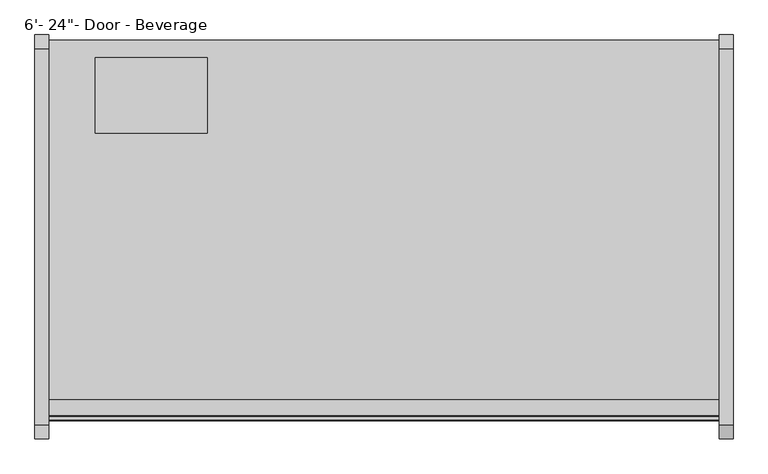
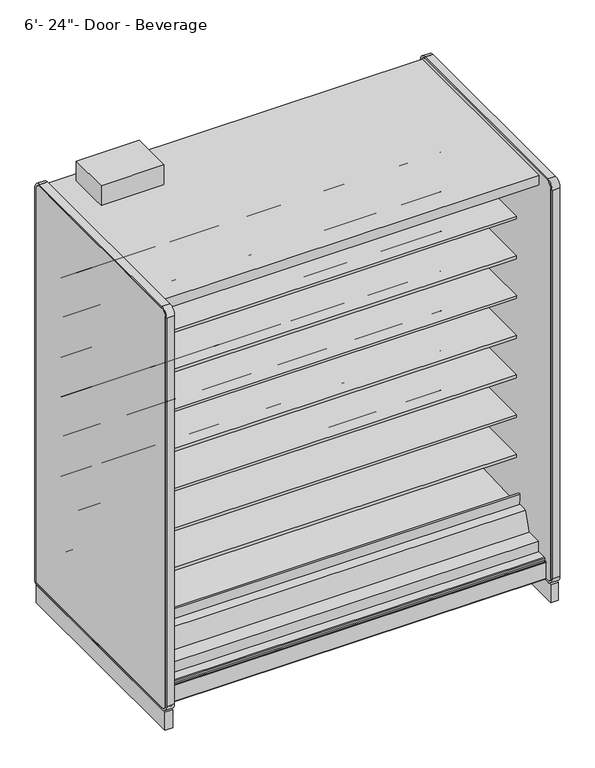
"""IFC4 building model written with IfcOpenShell, lengths in millimetres: proxy geometry."""

from ifc_helpers import new_model, si_unit, point, frame, frame_2d, origin, origin_with_axes, place, context, project, spatial, polyline, circle_curve, trimmed, segment, composite_curve, outline, extrude, source, transform, mapped, element, save
from ifc_brep_helpers import plane_surface, cylinder_surface, revolved_surface, advanced_brep


def proxy_43248446(model_context):
    return source(origin(), model_context, "Body", "SolidModel", [
        extrude(outline(composite_curve([segment(polyline([(-454.7591365, 587.0133455), (-454.7591365, 512.2441036), (-474.271416, 511.9123192)]), True, "CONTINUOUS"), segment(trimmed(circle_curve(frame_2d((-474.703252, 537.308648)), 25.4), [point((-474.271416, 511.9123192))], [point((-490.6806083, 517.5631653))], False, "CARTESIAN"), True, "CONTINUOUS"), segment(polyline([(-490.6806083, 517.5631653), (-508.5326694, 532.0084308)]), True, "CONTINUOUS"), segment(trimmed(circle_curve(frame_2d((-548.4760601, 482.6447241)), 63.5), [point((-508.5326694, 532.0084308))], [point((-540.5781788, 545.651656))], True, "CARTESIAN"), True, "CONTINUOUS"), segment(polyline([(-540.5781788, 545.651656), (-882.0268465, 569.3487934), (-883.515623, 572.7893455), (-1140.5591365, 572.7893455), (-1140.5591365, 587.0133455), (-454.7591365, 587.0133455)]), True, "CONTINUOUS")], self_intersect=False)), frame((0.0, 0.0, 0.0), z_axis=(1.0, 0.0, 0.0), x_axis=(0.0, 1.0, 0.0)), (0.0, 0.0, 1.0), 1828.8),
        extrude(outline(composite_curve([segment(polyline([(-454.7591365, 790.2133624), (-454.7591365, 715.4441204), (-474.271416, 715.112336)]), True, "CONTINUOUS"), segment(trimmed(circle_curve(frame_2d((-474.703252, 740.5086648)), 25.4), [point((-474.271416, 715.112336))], [point((-490.6806083, 720.7631821))], False, "CARTESIAN"), True, "CONTINUOUS"), segment(polyline([(-490.6806083, 720.7631821), (-508.5326694, 735.2084477)]), True, "CONTINUOUS"), segment(trimmed(circle_curve(frame_2d((-548.4760601, 685.8447409)), 63.5), [point((-508.5326694, 735.2084477))], [point((-540.5781788, 748.8516729))], True, "CARTESIAN"), True, "CONTINUOUS"), segment(polyline([(-540.5781788, 748.8516729), (-882.0268465, 772.5488103), (-883.515623, 775.9893624), (-1140.5591365, 775.9893624), (-1140.5591365, 790.2133624), (-454.7591365, 790.2133624)]), True, "CONTINUOUS")], self_intersect=False)), frame((0.0, 0.0, 0.0), z_axis=(1.0, 0.0, 0.0), x_axis=(0.0, 1.0, 0.0)), (0.0, 0.0, 1.0), 1828.8),
        extrude(outline(composite_curve([segment(polyline([(-454.7591365, 993.4133793), (-454.7591365, 918.6441373), (-474.271416, 918.3123529)]), True, "CONTINUOUS"), segment(trimmed(circle_curve(frame_2d((-474.703252, 943.7086817)), 25.4), [point((-474.271416, 918.3123529))], [point((-490.6806083, 923.963199))], False, "CARTESIAN"), True, "CONTINUOUS"), segment(polyline([(-490.6806083, 923.963199), (-508.5326694, 938.4084646)]), True, "CONTINUOUS"), segment(trimmed(circle_curve(frame_2d((-548.4760601, 889.0447578)), 63.5), [point((-508.5326694, 938.4084646))], [point((-540.5781788, 952.0516897))], True, "CARTESIAN"), True, "CONTINUOUS"), segment(polyline([(-540.5781788, 952.0516897), (-882.0268465, 975.7488272), (-883.515623, 979.1893793), (-1140.5591365, 979.1893793), (-1140.5591365, 993.4133793), (-454.7591365, 993.4133793)]), True, "CONTINUOUS")], self_intersect=False)), frame((0.0, 0.0, 0.0), z_axis=(1.0, 0.0, 0.0), x_axis=(0.0, 1.0, 0.0)), (0.0, 0.0, 1.0), 1828.8),
        extrude(outline(composite_curve([segment(polyline([(-454.7591365, 1196.6133961), (-454.7591365, 1121.8441542), (-474.271416, 1121.5123698)]), True, "CONTINUOUS"), segment(trimmed(circle_curve(frame_2d((-474.703252, 1146.9086986)), 25.4), [point((-474.271416, 1121.5123698))], [point((-490.6806083, 1127.1632159))], False, "CARTESIAN"), True, "CONTINUOUS"), segment(polyline([(-490.6806083, 1127.1632159), (-508.5326694, 1141.6084814)]), True, "CONTINUOUS"), segment(trimmed(circle_curve(frame_2d((-548.4760601, 1092.2447747)), 63.5), [point((-508.5326694, 1141.6084814))], [point((-540.5781788, 1155.2517066))], True, "CARTESIAN"), True, "CONTINUOUS"), segment(polyline([(-540.5781788, 1155.2517066), (-882.0268465, 1178.948844), (-883.515623, 1182.3893961), (-1140.5591365, 1182.3893961), (-1140.5591365, 1196.6133961), (-454.7591365, 1196.6133961)]), True, "CONTINUOUS")], self_intersect=False)), frame((0.0, 0.0, 0.0), z_axis=(1.0, 0.0, 0.0), x_axis=(0.0, 1.0, 0.0)), (0.0, 0.0, 1.0), 1828.8),
        extrude(outline(composite_curve([segment(polyline([(-454.7591365, 1399.813413), (-454.7591365, 1325.044171), (-474.271416, 1324.7123866)]), True, "CONTINUOUS"), segment(trimmed(circle_curve(frame_2d((-474.703252, 1350.1087155)), 25.4), [point((-474.271416, 1324.7123866))], [point((-490.6806083, 1330.3632328))], False, "CARTESIAN"), True, "CONTINUOUS"), segment(polyline([(-490.6806083, 1330.3632328), (-508.5326694, 1344.8084983)]), True, "CONTINUOUS"), segment(trimmed(circle_curve(frame_2d((-548.4760601, 1295.4447915)), 63.5), [point((-508.5326694, 1344.8084983))], [point((-540.5781788, 1358.4517235))], True, "CARTESIAN"), True, "CONTINUOUS"), segment(polyline([(-540.5781788, 1358.4517235), (-882.0268465, 1382.1488609), (-883.515623, 1385.589413), (-1140.5591365, 1385.589413), (-1140.5591365, 1399.813413), (-454.7591365, 1399.813413)]), True, "CONTINUOUS")], self_intersect=False)), frame((0.0, 0.0, 0.0), z_axis=(1.0, 0.0, 0.0), x_axis=(0.0, 1.0, 0.0)), (0.0, 0.0, 1.0), 1828.8),
        extrude(outline(composite_curve([segment(polyline([(-454.7591365, 1603.0134299), (-454.7591365, 1528.2441879), (-474.271416, 1527.9124035)]), True, "CONTINUOUS"), segment(trimmed(circle_curve(frame_2d((-474.703252, 1553.3087323)), 25.4), [point((-474.271416, 1527.9124035))], [point((-490.6806083, 1533.5632496))], False, "CARTESIAN"), True, "CONTINUOUS"), segment(polyline([(-490.6806083, 1533.5632496), (-508.5326694, 1548.0085152)]), True, "CONTINUOUS"), segment(trimmed(circle_curve(frame_2d((-548.4760601, 1498.6448084)), 63.5), [point((-508.5326694, 1548.0085152))], [point((-540.5781788, 1561.6517403))], True, "CARTESIAN"), True, "CONTINUOUS"), segment(polyline([(-540.5781788, 1561.6517403), (-882.0268465, 1585.3488778), (-883.515623, 1588.7894299), (-1140.5591365, 1588.7894299), (-1140.5591365, 1603.0134299), (-454.7591365, 1603.0134299)]), True, "CONTINUOUS")], self_intersect=False)), frame((0.0, 0.0, 0.0), z_axis=(1.0, 0.0, 0.0), x_axis=(0.0, 1.0, 0.0)), (0.0, 0.0, 1.0), 1828.8),
        extrude(outline(composite_curve([segment(polyline([(-454.7591365, 1806.2134975), (-454.7591365, 1731.4442556), (-474.271416, 1731.1124712)]), True, "CONTINUOUS"), segment(trimmed(circle_curve(frame_2d((-474.703252, 1756.5088)), 25.4), [point((-474.271416, 1731.1124712))], [point((-490.6806083, 1736.7633173))], False, "CARTESIAN"), True, "CONTINUOUS"), segment(polyline([(-490.6806083, 1736.7633173), (-508.5326694, 1751.2085828)]), True, "CONTINUOUS"), segment(trimmed(circle_curve(frame_2d((-548.4760601, 1701.8448761)), 63.5), [point((-508.5326694, 1751.2085828))], [point((-540.5781788, 1764.851808))], True, "CARTESIAN"), True, "CONTINUOUS"), segment(polyline([(-540.5781788, 1764.851808), (-882.0268465, 1788.5489454), (-883.515623, 1791.9894975), (-1140.5591365, 1791.9894975), (-1140.5591365, 1806.2134975), (-454.7591365, 1806.2134975)]), True, "CONTINUOUS")], self_intersect=False)), frame((0.0, 0.0, 0.0), z_axis=(1.0, 0.0, 0.0), x_axis=(0.0, 1.0, 0.0)), (0.0, 0.0, 1.0), 1828.8),
        extrude(outline(polyline([(0.0, -1311.974344), (0.0, -1337.374344), (-2.5796875, -1337.374344), (-2.5796875, -1311.974344), (0.0, -1311.974344)])), frame((0.0, 0.0, 252.8737805), z_axis=(0.0, 0.0, 1.0), x_axis=(1.0, 0.0, 0.0)), (0.0, 0.0, 1.0), 1827.8179128),
        extrude(outline(composite_curve([segment(trimmed(circle_curve(frame_2d((234.95, 1750.8737514)), 12.7), [point((247.65, 1750.8737514))], [point((222.25, 1750.8737514))], False, "CARTESIAN"), True, "CONTINUOUS"), segment(trimmed(circle_curve(frame_2d((234.95, 1750.8737514)), 12.7), [point((222.25, 1750.8737514))], [point((247.65, 1750.8737514))], False, "CARTESIAN"), True, "CONTINUOUS")], self_intersect=False)), frame((0.0, -399.5252577, 0.0), z_axis=(0.0, 1.0, 0.0), x_axis=(0.0, 0.0, 1.0)), (0.0, 0.0, 1.0), 50.5181304),
        extrude(outline(composite_curve([segment(trimmed(circle_curve(frame_2d((234.95, 1704.8472509)), 9.525), [point((244.475, 1704.8472509))], [point((225.425, 1704.8472509))], False, "CARTESIAN"), True, "CONTINUOUS"), segment(trimmed(circle_curve(frame_2d((234.95, 1704.8472509)), 9.525), [point((225.425, 1704.8472509))], [point((244.475, 1704.8472509))], False, "CARTESIAN"), True, "CONTINUOUS")], self_intersect=False)), frame((0.0, -399.5252577, 0.0), z_axis=(0.0, 1.0, 0.0), x_axis=(0.0, 0.0, 1.0)), (0.0, 0.0, 1.0), 50.5181304),
        advanced_brep(
        [(1828.8, -349.0071273, 104.775), (1828.8, -349.0071273, 2130.425), (1828.8, -1329.436844, 2130.425), (1828.8, -1329.436844, 2080.6916932), (1828.8, -403.9576348, 2080.6916932), (1828.8, -403.9576348, 191.9712577), (1828.8, -1233.6520806, 158.2443144), (1828.8, -1324.5178752, 168.8736205), (1828.8, -1324.5178752, 201.2766923), (1828.8, -1373.7502971, 201.2766923), (1828.8, -1376.4137132, 197.8095897), (1828.8, -1376.4137132, 188.9614574), (1828.8, -1385.2191773, 188.9614574), (1828.8, -1386.7939773, 187.3866574), (1828.8, -1386.7939773, 185.7356574), (1828.8, -1387.6575773, 185.7356574), (1828.8, -1387.6575773, 101.7483517), (1828.8, -1384.5102631, 101.0506089), (1828.8, -1382.7735511, 104.775), (0.0, -349.0071273, 104.775), (0.0, -1382.7735511, 104.775), (0.0, -1384.5102631, 101.0506089), (0.0, -1387.6575773, 101.7483517), (0.0, -1387.6575773, 185.7356574), (0.0, -1386.7939773, 185.7356574), (0.0, -1386.7939773, 187.3866574), (0.0, -1385.2191773, 188.9614574), (0.0, -1376.4137132, 188.9614574), (0.0, -1376.4137132, 197.8095897), (0.0, -1373.7502971, 201.2766923), (0.0, -1324.5178752, 201.2766923), (0.0, -1324.5178752, 168.8736205), (0.0, -1233.6520806, 158.2443144), (0.0, -403.9576348, 191.9712577), (0.0, -403.9576348, 2080.6916932), (0.0, -1329.436844, 2080.6916932), (0.0, -1329.436844, 2130.425), (0.0, -349.0071273, 2130.425), (1727.2, -349.0071273, 184.15), (1727.2, -349.0071273, 285.75), (1727.2, -399.5252577, 184.15), (1727.2, -399.5252577, 285.75)],
        [
            (0, 1),
            (1, 2),
            (2, 3),
            (3, 4),
            (4, 5),
            (5, 6),
            (6, 7),
            (7, 8),
            (8, 9),
            (9, 10, circle_curve(frame((1828.8, -1372.3299277, 197.4290047), z_axis=(1.0, 0.0, 0.0), x_axis=(0.0, 1.0, 0.0)), 4.1014814)),
            (10, 11),
            (11, 12),
            (12, 13, circle_curve(frame((1828.8, -1385.2191773, 187.3866574), z_axis=(1.0, 0.0, 0.0), x_axis=(0.0, 1.0, 0.0)), 1.5748)),
            (13, 14),
            (14, 15),
            (15, 16),
            (16, 17, circle_curve(frame((1828.8, -1386.0065773, 101.7483517), z_axis=(1.0, 0.0, 0.0), x_axis=(0.0, 1.0, 0.0)), 1.651)),
            (17, 18),
            (18, 0),
            (19, 20),
            (20, 21),
            (21, 22, circle_curve(frame((0.0, -1386.0065773, 101.7483517), z_axis=(-1.0, 0.0, 0.0), x_axis=(0.0, 1.0, 0.0)), 1.651)),
            (22, 23),
            (23, 24),
            (24, 25),
            (25, 26, circle_curve(frame((0.0, -1385.2191773, 187.3866574), z_axis=(-1.0, 0.0, 0.0), x_axis=(0.0, 1.0, 0.0)), 1.5748)),
            (26, 27),
            (27, 28),
            (28, 29, circle_curve(frame((0.0, -1372.3299277, 197.4290047), z_axis=(-1.0, 0.0, 0.0), x_axis=(0.0, 1.0, 0.0)), 4.1014814)),
            (29, 30),
            (30, 31),
            (31, 32),
            (32, 33),
            (33, 34),
            (34, 35),
            (35, 36),
            (36, 37),
            (37, 19),
            (0, 19),
            (37, 1),
            (38, 39, circle_curve(frame((1727.2, -349.0071273, 234.95), z_axis=(0.0, -1.0, 0.0), x_axis=(0.0, 0.0, 1.0)), 50.8)),
            (39, 38, circle_curve(frame((1727.2, -349.0071273, 234.95), z_axis=(0.0, -1.0, 0.0), x_axis=(0.0, 0.0, 1.0)), 50.8)),
            (18, 20),
            (36, 2),
            (35, 3),
            (34, 4),
            (33, 5),
            (32, 6),
            (31, 7),
            (30, 8),
            (29, 9),
            (28, 10),
            (27, 11),
            (26, 12),
            (25, 13),
            (24, 14),
            (23, 15),
            (22, 16),
            (21, 17),
            (40, 41, circle_curve(frame((1727.2, -399.5252577, 234.95), z_axis=(0.0, 1.0, 0.0), x_axis=(0.0, 0.0, 1.0)), 50.8)),
            (41, 40, circle_curve(frame((1727.2, -399.5252577, 234.95), z_axis=(0.0, 1.0, 0.0), x_axis=(0.0, 0.0, 1.0)), 50.8)),
            (41, 39),
            (38, 40),
        ],
        [
            plane_surface(frame((1828.8, -349.0071273, 2132.8596217), z_axis=(1.0, 0.0, 0.0), x_axis=(0.0, 0.0, 1.0))),
            plane_surface(frame((0.0, -349.0071273, 2132.8596217), z_axis=(-1.0, 0.0, 0.0), x_axis=(0.0, 0.0, -1.0))),
            plane_surface(frame((1828.8, -349.0071273, 104.775), z_axis=(0.0, 1.0, 0.0), x_axis=(-1.0, 0.0, 0.0))),
            plane_surface(frame((1828.8, -1382.7735511, 104.775), z_axis=(0.0, 0.0, -1.0), x_axis=(-1.0, 0.0, 0.0))),
            plane_surface(frame((1828.8, -349.0071273, 2130.425), z_axis=(0.0, 0.0, 1.0), x_axis=(-1.0, 0.0, 0.0))),
            plane_surface(frame((1828.8, -1329.436844, 2130.425), z_axis=(0.0, -1.0, 0.0), x_axis=(-1.0, 0.0, 0.0))),
            plane_surface(frame((1828.8, -1329.436844, 2080.6916932), z_axis=(0.0, 0.0, -1.0), x_axis=(-1.0, 0.0, 0.0))),
            plane_surface(frame((1828.8, -403.9576348, 2080.6916932), z_axis=(0.0, -1.0, 0.0), x_axis=(-1.0, 0.0, 0.0))),
            plane_surface(frame((1828.8, -403.9576348, 191.9712577), z_axis=(0.0, -0.04061629258568852, 0.999174817925569), x_axis=(-1.0, 0.0, 0.0))),
            plane_surface(frame((1828.8, -1233.6520806, 158.2443144), z_axis=(0.0, 0.11618584341211524, 0.9932274914593411), x_axis=(-1.0, 0.0, 0.0))),
            plane_surface(frame((1828.8, -1324.5178752, 168.8736205), z_axis=(0.0, 1.0, 0.0), x_axis=(-1.0, 0.0, 0.0))),
            plane_surface(frame((1828.8, -1324.5178752, 201.2766923), z_axis=(0.0, 0.0, 1.0), x_axis=(-1.0, 0.0, 0.0))),
            cylinder_surface(frame((0.0, -1372.3299277, 197.4290047), z_axis=(1.0, 0.0, 0.0), x_axis=(0.0, 1.0, 0.0)), 4.1014814),
            plane_surface(frame((1828.8, -1376.4137132, 197.8095897), z_axis=(0.0, -1.0, 0.0), x_axis=(-1.0, 0.0, 0.0))),
            plane_surface(frame((1828.8, -1376.4137132, 188.9614574), z_axis=(0.0, 0.0, 1.0), x_axis=(-1.0, 0.0, 0.0))),
            cylinder_surface(frame((0.0, -1385.2191773, 187.3866574), z_axis=(1.0, 0.0, 0.0), x_axis=(0.0, 1.0, 0.0)), 1.5748),
            plane_surface(frame((1828.8, -1386.7939773, 187.3866574), z_axis=(0.0, -1.0, 0.0), x_axis=(-1.0, 0.0, 0.0))),
            plane_surface(frame((1828.8, -1386.7939773, 185.7356574), z_axis=(0.0, 0.0, 1.0), x_axis=(-1.0, 0.0, 0.0))),
            plane_surface(frame((1828.8, -1387.6575773, 185.7356574), z_axis=(0.0, -1.0, 0.0), x_axis=(-1.0, 0.0, 0.0))),
            cylinder_surface(frame((0.0, -1386.0065773, 101.7483517), z_axis=(1.0, 0.0, 0.0), x_axis=(0.0, 1.0, 0.0)), 1.651),
            plane_surface(frame((1828.8, -1384.5102631, 101.0506089), z_axis=(0.0, 0.9063077870366392, -0.4226182617407228), x_axis=(-1.0, 0.0, 0.0))),
            plane_surface(frame((1727.2, -399.5252577, 285.75), z_axis=(0.0, 1.0, 0.0), x_axis=(-1.0, 0.0, 0.0))),
            revolved_surface(polyline([(1727.2, -399.5252577, 285.75), (1727.2, -349.0071273, 285.75)]), (1727.2, -349.0071273, 234.95), (0.0, -1.0, 0.0)),
        ],
        [
            (0, [[1, 2, 3, 4, 5, 6, 7, 8, 9, 10, 11, 12, 13, 14, 15, 16, 17, 18, 19]]),
            (1, [[20, 21, 22, 23, 24, 25, 26, 27, 28, 29, 30, 31, 32, 33, 34, 35, 36, 37, 38]]),
            (2, [[-1, 39, -38, 40], [41, 42]]),
            (3, [[-19, 43, -20, -39]]),
            (4, [[-2, -40, -37, 44]]),
            (5, [[-3, -44, -36, 45]]),
            (6, [[-4, -45, -35, 46]]),
            (7, [[-5, -46, -34, 47]]),
            (8, [[-6, -47, -33, 48]]),
            (9, [[-7, -48, -32, 49]]),
            (10, [[-8, -49, -31, 50]]),
            (11, [[-9, -50, -30, 51]]),
            (12, [[-10, -51, -29, 52]]),
            (13, [[-11, -52, -28, 53]]),
            (14, [[-12, -53, -27, 54]]),
            (15, [[-13, -54, -26, 55]]),
            (16, [[-14, -55, -25, 56]]),
            (17, [[-15, -56, -24, 57]]),
            (18, [[-16, -57, -23, 58]]),
            (19, [[-17, -58, -22, 59]]),
            (20, [[-18, -59, -21, -43]]),
            (21, [[60, 61]]),
            (22, [[-61, 62, -41, 63]]),
            (22, [[-60, -63, -42, -62]]),
        ],
    ),
        extrude(outline(composite_curve([segment(polyline([(-538.5972303, 351.4802626), (-1154.388777, 327.2645134)]), True, "CONTINUOUS"), segment(trimmed(circle_curve(frame_2d((-1154.8189466, 338.2034585)), 10.9474), [point((-1154.388777, 327.2645134))], [point((-1165.7578917, 337.773289))], False, "CARTESIAN"), True, "CONTINUOUS"), segment(polyline([(-1165.7578917, 337.773289), (-1168.1692364, 399.0922948)]), True, "CONTINUOUS"), segment(trimmed(circle_curve(frame_2d((-1164.2860378, 399.245)), 3.8862), [point((-1168.1692364, 399.0922948))], [point((-1160.4028391, 399.3977051))], False, "CARTESIAN"), True, "CONTINUOUS"), segment(polyline([(-1160.4028391, 399.3977051), (-1157.9914945, 338.0786994)]), True, "CONTINUOUS"), segment(trimmed(circle_curve(frame_2d((-1154.8189466, 338.2034585)), 3.175), [point((-1157.9914945, 338.0786994))], [point((-1154.6941874, 335.0309106))], True, "CARTESIAN"), True, "CONTINUOUS"), segment(polyline([(-1154.6941874, 335.0309106), (-531.8538504, 359.5238507)]), True, "CONTINUOUS"), segment(trimmed(circle_curve(frame_2d((-531.6974468, 355.6351883)), 3.8918064), [point((-531.8538504, 359.5238507))], [point((-531.2499972, 351.7691895))], False, "CARTESIAN"), True, "CONTINUOUS"), segment(polyline([(-531.2499972, 351.7691895), (-538.5972303, 351.4802626)]), True, "CONTINUOUS")], self_intersect=False)), frame((0.0, 0.0, 0.0), z_axis=(1.0, 0.0, 0.0), x_axis=(0.0, 1.0, 0.0)), (0.0, 0.0, 1.0), 1828.8),
        extrude(outline(polyline([(-403.9576348, 191.9712577), (-1233.6520806, 158.2443144), (-1324.5178752, 168.8736205), (-1324.5178752, 252.8737805), (-1245.7743426, 252.8737805), (-1214.6387574, 346.8534577), (-1169.1341365, 348.4440826), (-1169.1341365, 325.727789), (-525.3143623, 351.8989573), (-525.3143623, 370.9489573), (-468.1992452, 372.9454299), (-468.1992452, 376.1204299), (-454.7591365, 376.1204299), (-454.7591365, 268.1711844), (-403.9576348, 268.1711844), (-403.9576348, 191.9712577)])), frame((0.0, 0.0, 0.0), z_axis=(1.0, 0.0, 0.0), x_axis=(0.0, 1.0, 0.0)), (0.0, 0.0, 1.0), 1828.8),
        extrude(outline(polyline([(-403.9576348, 268.1711844), (-454.7591365, 268.1711844), (-454.7591365, 2052.6003941), (-1174.1318532, 2052.6003941), (-1284.0733806, 2079.0595231), (-1284.0733806, 2080.6916932), (-403.9576348, 2080.6916932), (-403.9576348, 268.1711844)])), frame((0.0, 0.0, 0.0), z_axis=(1.0, 0.0, 0.0), x_axis=(0.0, 1.0, 0.0)), (0.0, 0.0, 1.0), 1828.8),
        extrude(outline(composite_curve([segment(trimmed(circle_curve(frame_2d((914.4, -1072.9071273)), 38.1), [point((876.3, -1072.9071273))], [point((952.5, -1072.9071273))], False, "CARTESIAN"), True, "CONTINUOUS"), segment(trimmed(circle_curve(frame_2d((914.4, -1072.9071273)), 38.1), [point((952.5, -1072.9071273))], [point((876.3, -1072.9071273))], False, "CARTESIAN"), True, "CONTINUOUS")], self_intersect=False)), frame((0.0, 0.0, -5.8513653), z_axis=(0.0, 0.0, 1.0), x_axis=(1.0, 0.0, 0.0)), (0.0, 0.0, 1.0), 110.6263653),
        extrude(outline(composite_curve([segment(trimmed(circle_curve(frame_2d((1582.0604036, -1069.7321273)), 9.525), [point((1572.5354036, -1069.7321273))], [point((1591.5854036, -1069.7321273))], False, "CARTESIAN"), True, "CONTINUOUS"), segment(trimmed(circle_curve(frame_2d((1582.0604036, -1069.7321273)), 9.525), [point((1591.5854036, -1069.7321273))], [point((1572.5354036, -1069.7321273))], False, "CARTESIAN"), True, "CONTINUOUS")], self_intersect=False)), frame((0.0, 0.0, -5.8513653), z_axis=(0.0, 0.0, 1.0), x_axis=(1.0, 0.0, 0.0)), (0.0, 0.0, 1.0), 110.6263653),
        extrude(outline(composite_curve([segment(trimmed(circle_curve(frame_2d((1626.9868135, -1069.7321273)), 12.7), [point((1614.2868135, -1069.7321273))], [point((1639.6868135, -1069.7321273))], False, "CARTESIAN"), True, "CONTINUOUS"), segment(trimmed(circle_curve(frame_2d((1626.9868135, -1069.7321273)), 12.7), [point((1639.6868135, -1069.7321273))], [point((1614.2868135, -1069.7321273))], False, "CARTESIAN"), True, "CONTINUOUS")], self_intersect=False)), frame((0.0, 0.0, -5.8513653), z_axis=(0.0, 0.0, 1.0), x_axis=(1.0, 0.0, 0.0)), (0.0, 0.0, 1.0), 110.6263653),
        extrude(outline(polyline([(127.0, -603.0071273), (127.0, -397.0385273), (431.8, -397.0385273), (431.8, -603.0071273), (127.0, -603.0071273)])), frame((0.0, 0.0, 2130.425), z_axis=(0.0, 0.0, 1.0), x_axis=(1.0, 0.0, 0.0)), (0.0, 0.0, 1.0), 101.6),
        extrude(outline(composite_curve([segment(polyline([(-1399.9321273, 2155.825), (-372.4698732, 2155.825)]), True, "CONTINUOUS"), segment(trimmed(circle_curve(frame_2d((-372.4698732, 2117.725)), 38.1), [point((-372.4698732, 2155.825))], [point((-334.3698732, 2117.725))], False, "CARTESIAN"), True, "CONTINUOUS"), segment(polyline([(-334.3698732, 2117.725), (-334.3698732, 104.7405759)]), True, "CONTINUOUS"), segment(trimmed(circle_curve(frame_2d((-347.0698732, 104.7405759)), 12.7), [point((-334.3698732, 104.7405759))], [point((-347.0698732, 92.0405759))], False, "CARTESIAN"), True, "CONTINUOUS"), segment(polyline([(-347.0698732, 92.0405759), (-1399.9321273, 92.0405759)]), True, "CONTINUOUS"), segment(trimmed(circle_curve(frame_2d((-1399.9321273, 130.1405759)), 38.1), [point((-1399.9321273, 92.0405759))], [point((-1438.0321273, 130.1405759))], False, "CARTESIAN"), True, "CONTINUOUS"), segment(polyline([(-1438.0321273, 130.1405759), (-1438.0321273, 2117.725)]), True, "CONTINUOUS"), segment(trimmed(circle_curve(frame_2d((-1399.9321273, 2117.725)), 38.1), [point((-1438.0321273, 2117.725))], [point((-1399.9321273, 2155.825))], False, "CARTESIAN"), True, "CONTINUOUS")], self_intersect=False), holes=[composite_curve([segment(polyline([(-1399.9321273, 101.5655759), (-347.0698732, 101.5655759)]), True, "CONTINUOUS"), segment(trimmed(circle_curve(frame_2d((-347.0698732, 104.7405759)), 3.175), [point((-347.0698732, 101.5655759))], [point((-343.8948732, 104.7405759))], True, "CARTESIAN"), True, "CONTINUOUS"), segment(polyline([(-343.8948732, 104.7405759), (-343.8948732, 2117.725)]), True, "CONTINUOUS"), segment(trimmed(circle_curve(frame_2d((-372.4698732, 2117.725)), 28.575), [point((-343.8948732, 2117.725))], [point((-372.4698732, 2146.3))], True, "CARTESIAN"), True, "CONTINUOUS"), segment(polyline([(-372.4698732, 2146.3), (-1399.9321273, 2146.3)]), True, "CONTINUOUS"), segment(trimmed(circle_curve(frame_2d((-1399.9321273, 2117.725)), 28.575), [point((-1399.9321273, 2146.3))], [point((-1428.5071273, 2117.725))], True, "CARTESIAN"), True, "CONTINUOUS"), segment(polyline([(-1428.5071273, 2117.725), (-1428.5071273, 130.1405759)]), True, "CONTINUOUS"), segment(trimmed(circle_curve(frame_2d((-1399.9321273, 130.1405759)), 28.575), [point((-1428.5071273, 130.1405759))], [point((-1399.9321273, 101.5655759))], True, "CARTESIAN"), True, "CONTINUOUS")], self_intersect=False)]), frame((-38.1, 0.0, 0.0), z_axis=(1.0, 0.0, 0.0), x_axis=(0.0, 1.0, 0.0)), (0.0, 0.0, 1.0), 38.1),
        extrude(outline(composite_curve([segment(polyline([(-1399.9321273, 2146.3), (-372.4698732, 2146.3)]), True, "CONTINUOUS"), segment(trimmed(circle_curve(frame_2d((-372.4698732, 2117.725)), 28.575), [point((-372.4698732, 2146.3))], [point((-343.8948732, 2117.725))], False, "CARTESIAN"), True, "CONTINUOUS"), segment(polyline([(-343.8948732, 2117.725), (-343.8948732, 104.7405759)]), True, "CONTINUOUS"), segment(trimmed(circle_curve(frame_2d((-347.0698732, 104.7405759)), 3.175), [point((-343.8948732, 104.7405759))], [point((-347.0698732, 101.5655759))], False, "CARTESIAN"), True, "CONTINUOUS"), segment(polyline([(-347.0698732, 101.5655759), (-1399.9321273, 101.5655759)]), True, "CONTINUOUS"), segment(trimmed(circle_curve(frame_2d((-1399.9321273, 130.1405759)), 28.575), [point((-1399.9321273, 101.5655759))], [point((-1428.5071273, 130.1405759))], False, "CARTESIAN"), True, "CONTINUOUS"), segment(polyline([(-1428.5071273, 130.1405759), (-1428.5071273, 2117.725)]), True, "CONTINUOUS"), segment(trimmed(circle_curve(frame_2d((-1399.9321273, 2117.725)), 28.575), [point((-1428.5071273, 2117.725))], [point((-1399.9321273, 2146.3))], False, "CARTESIAN"), True, "CONTINUOUS")], self_intersect=False)), frame((-38.1, 0.0, 0.0), z_axis=(1.0, 0.0, 0.0), x_axis=(0.0, 1.0, 0.0)), (0.0, 0.0, 1.0), 38.1),
        extrude(outline(composite_curve([segment(polyline([(-1399.9321273, 2146.3), (-372.4698732, 2146.3)]), True, "CONTINUOUS"), segment(trimmed(circle_curve(frame_2d((-372.4698732, 2117.725)), 28.575), [point((-372.4698732, 2146.3))], [point((-343.8948732, 2117.725))], False, "CARTESIAN"), True, "CONTINUOUS"), segment(polyline([(-343.8948732, 2117.725), (-343.8948732, 104.7405759)]), True, "CONTINUOUS"), segment(trimmed(circle_curve(frame_2d((-347.0698732, 104.7405759)), 3.175), [point((-343.8948732, 104.7405759))], [point((-347.0698732, 101.5655759))], False, "CARTESIAN"), True, "CONTINUOUS"), segment(polyline([(-347.0698732, 101.5655759), (-1399.9321273, 101.5655759)]), True, "CONTINUOUS"), segment(trimmed(circle_curve(frame_2d((-1399.9321273, 130.1405759)), 28.575), [point((-1399.9321273, 101.5655759))], [point((-1428.5071273, 130.1405759))], False, "CARTESIAN"), True, "CONTINUOUS"), segment(polyline([(-1428.5071273, 130.1405759), (-1428.5071273, 2117.725)]), True, "CONTINUOUS"), segment(trimmed(circle_curve(frame_2d((-1399.9321273, 2117.725)), 28.575), [point((-1428.5071273, 2117.725))], [point((-1399.9321273, 2146.3))], False, "CARTESIAN"), True, "CONTINUOUS")], self_intersect=False)), frame((1828.8, 0.0, 0.0), z_axis=(1.0, 0.0, 0.0), x_axis=(0.0, 1.0, 0.0)), (0.0, 0.0, 1.0), 38.1),
        extrude(outline(composite_curve([segment(polyline([(-1399.9321273, 2155.825), (-372.4698732, 2155.825)]), True, "CONTINUOUS"), segment(trimmed(circle_curve(frame_2d((-372.4698732, 2117.725)), 38.1), [point((-372.4698732, 2155.825))], [point((-334.3698732, 2117.725))], False, "CARTESIAN"), True, "CONTINUOUS"), segment(polyline([(-334.3698732, 2117.725), (-334.3698732, 104.7405759)]), True, "CONTINUOUS"), segment(trimmed(circle_curve(frame_2d((-347.0698732, 104.7405759)), 12.7), [point((-334.3698732, 104.7405759))], [point((-347.0698732, 92.0405759))], False, "CARTESIAN"), True, "CONTINUOUS"), segment(polyline([(-347.0698732, 92.0405759), (-1399.9321273, 92.0405759)]), True, "CONTINUOUS"), segment(trimmed(circle_curve(frame_2d((-1399.9321273, 130.1405759)), 38.1), [point((-1399.9321273, 92.0405759))], [point((-1438.0321273, 130.1405759))], False, "CARTESIAN"), True, "CONTINUOUS"), segment(polyline([(-1438.0321273, 130.1405759), (-1438.0321273, 2117.725)]), True, "CONTINUOUS"), segment(trimmed(circle_curve(frame_2d((-1399.9321273, 2117.725)), 38.1), [point((-1438.0321273, 2117.725))], [point((-1399.9321273, 2155.825))], False, "CARTESIAN"), True, "CONTINUOUS")], self_intersect=False), holes=[composite_curve([segment(polyline([(-1399.9321273, 101.5655759), (-347.0698732, 101.5655759)]), True, "CONTINUOUS"), segment(trimmed(circle_curve(frame_2d((-347.0698732, 104.7405759)), 3.175), [point((-347.0698732, 101.5655759))], [point((-343.8948732, 104.7405759))], True, "CARTESIAN"), True, "CONTINUOUS"), segment(polyline([(-343.8948732, 104.7405759), (-343.8948732, 2117.725)]), True, "CONTINUOUS"), segment(trimmed(circle_curve(frame_2d((-372.4698732, 2117.725)), 28.575), [point((-343.8948732, 2117.725))], [point((-372.4698732, 2146.3))], True, "CARTESIAN"), True, "CONTINUOUS"), segment(polyline([(-372.4698732, 2146.3), (-1399.9321273, 2146.3)]), True, "CONTINUOUS"), segment(trimmed(circle_curve(frame_2d((-1399.9321273, 2117.725)), 28.575), [point((-1399.9321273, 2146.3))], [point((-1428.5071273, 2117.725))], True, "CARTESIAN"), True, "CONTINUOUS"), segment(polyline([(-1428.5071273, 2117.725), (-1428.5071273, 130.1405759)]), True, "CONTINUOUS"), segment(trimmed(circle_curve(frame_2d((-1399.9321273, 130.1405759)), 28.575), [point((-1428.5071273, 130.1405759))], [point((-1399.9321273, 101.5655759))], True, "CARTESIAN"), True, "CONTINUOUS")], self_intersect=False)]), frame((1828.8, 0.0, 0.0), z_axis=(1.0, 0.0, 0.0), x_axis=(0.0, 1.0, 0.0)), (0.0, 0.0, 1.0), 38.1),
        extrude(outline(polyline([(1866.9, -349.0071273), (1866.9, -1425.3321273), (1828.8, -1425.3321273), (1828.8, -349.0071273), (1866.9, -349.0071273)])), origin_with_axes(), (0.0, 0.0, 1.0), 92.075),
        extrude(outline(polyline([(0.0, -346.2385273), (0.0, -1425.3321273), (-38.1, -1425.3321273), (-38.1, -346.2385273), (0.0, -346.2385273)])), origin_with_axes(), (0.0, 0.0, 1.0), 92.075),
    ])


if __name__ == "__main__":
    model = new_model("IFC4")
    model_context = context("Model", 3, world=origin())
    ifc_project = project(units=[si_unit("LENGTHUNIT", "METRE", prefix="MILLI")], contexts=[model_context])
    site = spatial("IfcSite", under=ifc_project)
    building = spatial("IfcBuilding", under=site)
    placement = place(None, origin())
    proxy_shape = proxy_43248446(model_context)
    element("IfcBuildingElementProxy", 1, Name="6'- 24\"- Door - Beverage", ObjectType="6'- 24\"- Door - Beverage", at=placement, inside=building, context=model_context, shape_type="MappedRepresentation", body=[
        mapped(proxy_shape, transform((0.0, 0.0, 0.0), x_axis=(1.0, 0.0, 0.0), y_axis=(0.0, 1.0, 0.0), z_axis=(0.0, 0.0, 1.0))),
    ])
    save(model, "model.ifc")
